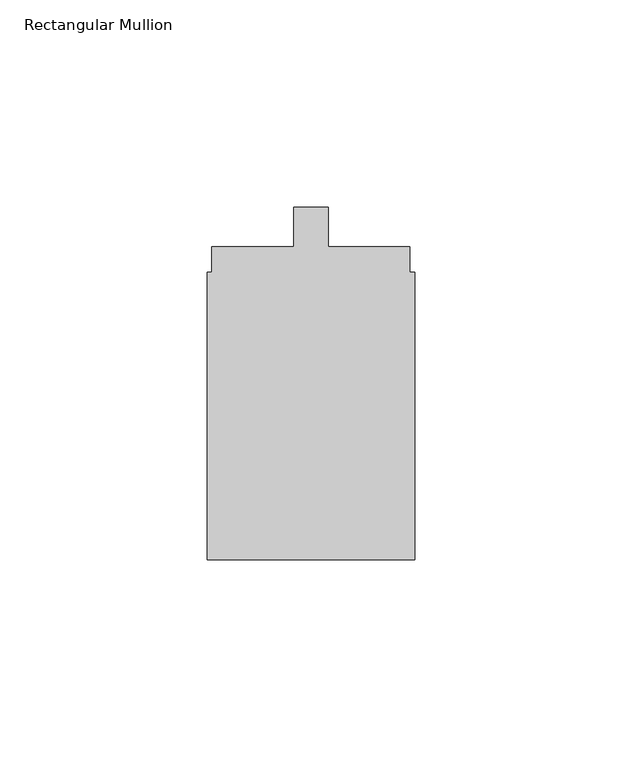
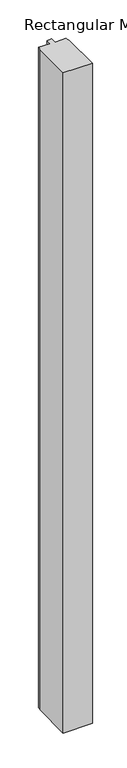
"""IFC4 building model written with IfcOpenShell, lengths in millimetres: member geometry, Rectangular Mullion."""

from ifc_helpers import new_model, si_unit, frame, origin, place, context, project, spatial, polyline, outline, extrude, source, transform, mapped, element, save


def rectangular_mullion_4cbd3fb1(model_context):
    return source(origin(), model_context, "Body", "SweptSolid", [
        extrude(outline(polyline([(25.0, -92.3), (-25.0, -92.3), (-25.0, -23.0), (-23.9, -23.0), (-23.9, -16.8), (-4.1, -16.8), (-4.1, -7.3), (4.1, -7.3), (4.1, -16.8), (23.8217337, -16.8), (23.8217337, -23.0), (25.0, -23.0), (25.0, -92.3)])), frame((0.0, 0.0, -1200.0), z_axis=(0.0, 0.0, 1.0), x_axis=(1.0, 0.0, 0.0)), (0.0, 0.0, 1.0), 1200.0),
    ])


if __name__ == "__main__":
    model = new_model("IFC4")
    model_context = context("Model", 3, world=origin())
    ifc_project = project(units=[si_unit("LENGTHUNIT", "METRE", prefix="MILLI")], contexts=[model_context])
    site = spatial("IfcSite", under=ifc_project)
    building = spatial("IfcBuilding", under=site)
    placement = place(None, origin())
    rectangular_mullion_shape = rectangular_mullion_4cbd3fb1(model_context)
    element("IfcMember", 1, ObjectType="Rectangular Mullion", at=placement, inside=building, context=model_context, shape_type="MappedRepresentation", body=[
        mapped(rectangular_mullion_shape, transform((0.0, 0.0, 0.0), x_axis=(1.0, 0.0, 0.0), y_axis=(0.0, 1.0, 0.0), z_axis=(0.0, 0.0, 1.0))),
    ])
    save(model, "model.ifc")
